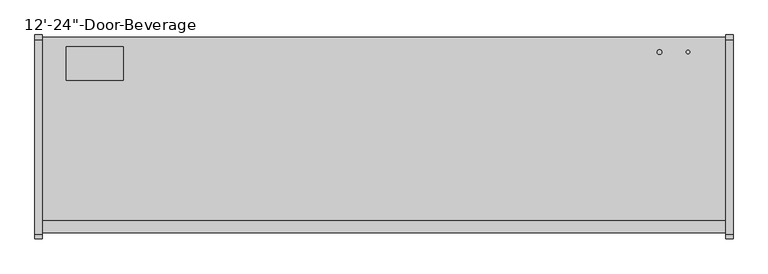
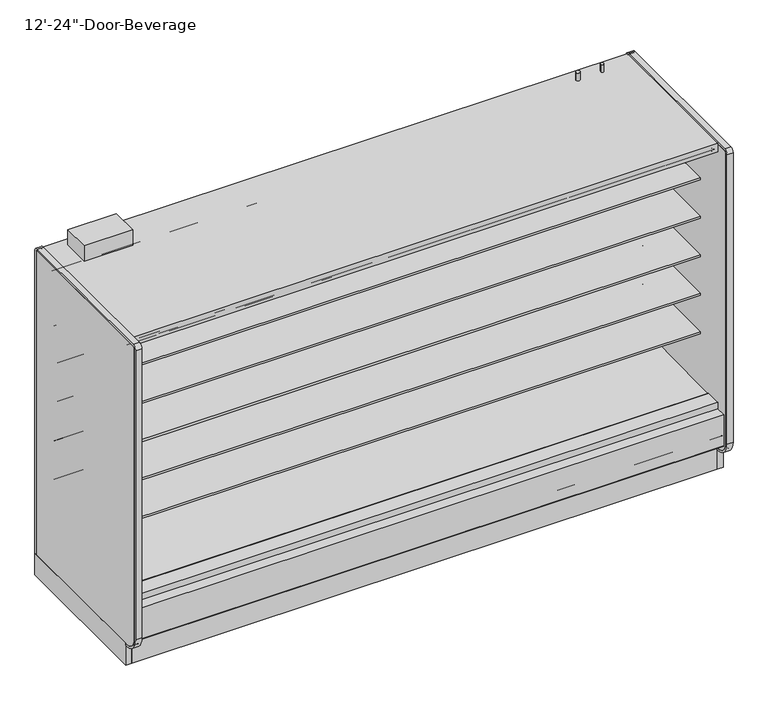
"""IFC4 building model written with IfcOpenShell, lengths in millimetres: proxy geometry."""

from ifc_helpers import new_model, si_unit, point, frame, frame_2d, origin, origin_with_axes, place, context, project, spatial, polyline, circle_curve, trimmed, segment, composite_curve, outline, extrude, source, transform, mapped, element, save
from ifc_brep_helpers import plane_surface, cylinder_surface, revolved_surface, advanced_brep


def proxy_1a4148a3(model_context):
    return source(origin(), model_context, "Body", "SolidModel", [
        extrude(outline(composite_curve([segment(trimmed(circle_curve(frame_2d((3454.4, -428.3821273)), 9.525), [point((3444.875, -428.3821273))], [point((3463.925, -428.3821273))], False, "CARTESIAN"), True, "CONTINUOUS"), segment(trimmed(circle_curve(frame_2d((3454.4, -428.3821273)), 9.525), [point((3463.925, -428.3821273))], [point((3444.875, -428.3821273))], False, "CARTESIAN"), True, "CONTINUOUS")], self_intersect=False)), frame((0.0, 0.0, 2160.0010137), z_axis=(0.0, 0.0, 1.0), x_axis=(1.0, 0.0, 0.0)), (0.0, 0.0, 1.0), 50.8),
        extrude(outline(composite_curve([segment(trimmed(circle_curve(frame_2d((3302.0, -428.3821273)), 12.7), [point((3289.3, -428.3821273))], [point((3314.7, -428.3821273))], False, "CARTESIAN"), True, "CONTINUOUS"), segment(trimmed(circle_curve(frame_2d((3302.0, -428.3821273)), 12.7), [point((3314.7, -428.3821273))], [point((3289.3, -428.3821273))], False, "CARTESIAN"), True, "CONTINUOUS")], self_intersect=False)), frame((0.0, 0.0, 2160.0010137), z_axis=(0.0, 0.0, 1.0), x_axis=(1.0, 0.0, 0.0)), (0.0, 0.0, 1.0), 50.8),
        extrude(outline(composite_curve([segment(polyline([(-1139.652044, 788.1304004), (-1139.652044, 801.6241504), (-453.852044, 801.6241504), (-453.852044, 700.8188557), (-465.2157046, 700.5975577)]), True, "CONTINUOUS"), segment(trimmed(circle_curve(frame_2d((-465.7036503, 725.6535856)), 25.0607786), [point((-465.2157046, 700.5975577))], [point((-481.6109729, 706.2886764))], False, "CARTESIAN"), True, "CONTINUOUS"), segment(polyline([(-481.6109729, 706.2886764), (-519.8326735, 737.3719449)]), True, "CONTINUOUS"), segment(trimmed(circle_curve(frame_2d((-559.8971466, 688.1064601)), 63.5), [point((-519.8326735, 737.3719449))], [point((-553.0441372, 751.2355839))], True, "CARTESIAN"), True, "CONTINUOUS"), segment(polyline([(-553.0441372, 751.2355839), (-968.6518104, 783.846074), (-968.6518104, 788.1304004), (-1139.652044, 788.1304004)]), True, "CONTINUOUS")], self_intersect=False)), frame((0.0, 0.0, 0.0), z_axis=(1.0, 0.0, 0.0), x_axis=(0.0, 1.0, 0.0)), (0.0, 0.0, 1.0), 3657.6),
        extrude(outline(composite_curve([segment(polyline([(-1139.652044, 1042.1304004), (-1139.652044, 1055.6241504), (-453.852044, 1055.6241504), (-453.852044, 954.8188557), (-465.2157046, 954.5975577)]), True, "CONTINUOUS"), segment(trimmed(circle_curve(frame_2d((-465.7036503, 979.6535856)), 25.0607786), [point((-465.2157046, 954.5975577))], [point((-481.6109729, 960.2886764))], False, "CARTESIAN"), True, "CONTINUOUS"), segment(polyline([(-481.6109729, 960.2886764), (-519.8326735, 991.3719449)]), True, "CONTINUOUS"), segment(trimmed(circle_curve(frame_2d((-559.8971466, 942.1064601)), 63.5), [point((-519.8326735, 991.3719449))], [point((-553.0441372, 1005.2355839))], True, "CARTESIAN"), True, "CONTINUOUS"), segment(polyline([(-553.0441372, 1005.2355839), (-968.6518104, 1037.846074), (-968.6518104, 1042.1304004), (-1139.652044, 1042.1304004)]), True, "CONTINUOUS")], self_intersect=False)), frame((0.0, 0.0, 0.0), z_axis=(1.0, 0.0, 0.0), x_axis=(0.0, 1.0, 0.0)), (0.0, 0.0, 1.0), 3657.6),
        extrude(outline(composite_curve([segment(polyline([(-1139.652044, 1296.1304004), (-1139.652044, 1309.6241504), (-453.852044, 1309.6241504), (-453.852044, 1208.8188557), (-465.2157046, 1208.5975577)]), True, "CONTINUOUS"), segment(trimmed(circle_curve(frame_2d((-465.7036503, 1233.6535856)), 25.0607786), [point((-465.2157046, 1208.5975577))], [point((-481.6109729, 1214.2886764))], False, "CARTESIAN"), True, "CONTINUOUS"), segment(polyline([(-481.6109729, 1214.2886764), (-519.8326735, 1245.3719449)]), True, "CONTINUOUS"), segment(trimmed(circle_curve(frame_2d((-559.8971466, 1196.1064601)), 63.5), [point((-519.8326735, 1245.3719449))], [point((-553.0441372, 1259.2355839))], True, "CARTESIAN"), True, "CONTINUOUS"), segment(polyline([(-553.0441372, 1259.2355839), (-968.6518104, 1291.846074), (-968.6518104, 1296.1304004), (-1139.652044, 1296.1304004)]), True, "CONTINUOUS")], self_intersect=False)), frame((0.0, 0.0, 0.0), z_axis=(1.0, 0.0, 0.0), x_axis=(0.0, 1.0, 0.0)), (0.0, 0.0, 1.0), 3657.6),
        extrude(outline(composite_curve([segment(polyline([(-1139.652044, 1550.1304004), (-1139.652044, 1563.6241504), (-453.852044, 1563.6241504), (-453.852044, 1462.8188557), (-465.2157046, 1462.5975577)]), True, "CONTINUOUS"), segment(trimmed(circle_curve(frame_2d((-465.7036503, 1487.6535856)), 25.0607786), [point((-465.2157046, 1462.5975577))], [point((-481.6109729, 1468.2886764))], False, "CARTESIAN"), True, "CONTINUOUS"), segment(polyline([(-481.6109729, 1468.2886764), (-519.8326735, 1499.3719449)]), True, "CONTINUOUS"), segment(trimmed(circle_curve(frame_2d((-559.8971466, 1450.1064601)), 63.5), [point((-519.8326735, 1499.3719449))], [point((-553.0441372, 1513.2355839))], True, "CARTESIAN"), True, "CONTINUOUS"), segment(polyline([(-553.0441372, 1513.2355839), (-968.6518104, 1545.846074), (-968.6518104, 1550.1304004), (-1139.652044, 1550.1304004)]), True, "CONTINUOUS")], self_intersect=False)), frame((0.0, 0.0, 0.0), z_axis=(1.0, 0.0, 0.0), x_axis=(0.0, 1.0, 0.0)), (0.0, 0.0, 1.0), 3657.6),
        extrude(outline(composite_curve([segment(polyline([(-632.8965773, 2077.3701079), (-1202.1056471, 2077.3701079), (-1202.0779553, 2079.0129758), (-1258.0451873, 2083.4966948), (-1258.0451873, 2075.9223079)]), True, "CONTINUOUS"), segment(trimmed(circle_curve(frame_2d((-1260.5851873, 2075.9223079)), 2.54), [point((-1258.0451873, 2075.9223079))], [point((-1260.5851873, 2073.3823079))], False, "CARTESIAN"), True, "CONTINUOUS"), segment(polyline([(-1260.5851873, 2073.3823079), (-1269.8053873, 2073.3823079)]), True, "CONTINUOUS"), segment(trimmed(circle_curve(frame_2d((-1269.8053873, 2075.9223079)), 2.54), [point((-1269.8053873, 2073.3823079))], [point((-1272.3453873, 2075.9223079))], False, "CARTESIAN"), True, "CONTINUOUS"), segment(polyline([(-1272.3453873, 2075.9223079), (-1272.3453873, 2092.9469554)]), True, "CONTINUOUS"), segment(trimmed(circle_curve(frame_2d((-1274.8853873, 2092.9469554)), 2.54), [point((-1272.3453873, 2092.9469554))], [point((-1274.8853873, 2095.4869554))], True, "CARTESIAN"), True, "CONTINUOUS"), segment(polyline([(-1274.8853873, 2095.4869554), (-1288.8553873, 2095.4869554)]), True, "CONTINUOUS"), segment(trimmed(circle_curve(frame_2d((-1288.8553873, 2098.0269554)), 2.54), [point((-1288.8553873, 2095.4869554))], [point((-1291.3953873, 2098.0269554))], False, "CARTESIAN"), True, "CONTINUOUS"), segment(polyline([(-1291.3953873, 2098.0269554), (-1291.3953873, 2102.7701079), (-402.3474764, 2102.7701079), (-402.3474764, 418.2554484), (-453.852044, 418.2554484), (-453.852044, 2054.7594138)]), True, "CONTINUOUS"), segment(trimmed(circle_curve(frame_2d((-476.4627381, 2054.7594138)), 22.6106941), [point((-453.852044, 2054.7594138))], [point((-476.4627381, 2077.3701079))], True, "CARTESIAN"), True, "CONTINUOUS"), segment(polyline([(-476.4627381, 2077.3701079), (-632.8965773, 2077.3701079)]), True, "CONTINUOUS")], self_intersect=False)), frame((0.0, 0.0, 0.0), z_axis=(1.0, 0.0, 0.0), x_axis=(0.0, 1.0, 0.0)), (0.0, 0.0, 1.0), 3657.6),
        extrude(outline(polyline([(673.1, -1207.3278954), (673.1, -1296.2278954), (368.3, -1296.2278954), (368.3, -1207.3278954), (673.1, -1207.3278954)])), frame((0.0, 0.0, 44.45), z_axis=(0.0, 0.0, 1.0), x_axis=(1.0, 0.0, 0.0)), (0.0, 0.0, 1.0), 6.35),
        advanced_brep(
        [(3657.6, -1318.106026, 204.9450868), (3657.6, -1318.106026, 0.0), (3657.6, -1154.5934832, 0.0), (3657.6, -1154.5934832, 130.5306), (3657.6, -1226.6745247, 130.5306), (3657.6, -1377.1737273, 256.8144254), (3657.6, -1377.1737273, 391.9982), (3657.6, -1326.8776974, 391.9982), (3657.6, -1326.8776974, 404.6728), (3657.6, -1393.9631273, 404.6728), (3657.6, -1393.9631273, 201.3982889), (3657.6, -1384.4389382, 195.8985595), (3657.6, -1339.6997646, 221.7199387), (0.0, -1318.106026, 204.9450868), (0.0, -1339.6997646, 221.7199387), (0.0, -1384.4389382, 195.8985595), (0.0, -1393.9631273, 201.3982889), (0.0, -1393.9631273, 404.6728), (0.0, -1326.8776974, 404.6728), (0.0, -1326.8776974, 391.9982), (0.0, -1377.1737273, 391.9982), (0.0, -1377.1737273, 256.8144254), (0.0, -1226.6745247, 130.5306), (0.0, -1154.5934832, 130.5306), (0.0, -1154.5934832, 0.0), (0.0, -1318.106026, 0.0), (677.9753763, -1301.1164467, 0.0), (677.9753763, -1203.5310315, 0.0), (363.1798722, -1203.5310315, 0.0), (363.1798722, -1301.1164467, 0.0), (677.9753763, -1301.1164467, 50.8), (677.9753763, -1203.5310315, 50.8), (363.1798722, -1203.5310315, 50.8), (363.1798722, -1301.1164467, 50.8)],
        [
            (0, 1),
            (1, 2),
            (2, 3),
            (3, 4),
            (4, 5),
            (5, 6),
            (6, 7),
            (7, 8),
            (8, 9),
            (9, 10),
            (10, 11, circle_curve(frame((3657.6, -1387.6131273, 201.3982889), z_axis=(1.0, 0.0, 0.0), x_axis=(0.0, 1.0, 0.0)), 6.35)),
            (11, 12),
            (12, 0),
            (13, 14),
            (14, 15),
            (15, 16, circle_curve(frame((0.0, -1387.6131273, 201.3982889), z_axis=(-1.0, 0.0, 0.0), x_axis=(0.0, 1.0, 0.0)), 6.35)),
            (16, 17),
            (17, 18),
            (18, 19),
            (19, 20),
            (20, 21),
            (21, 22),
            (22, 23),
            (23, 24),
            (24, 25),
            (25, 13),
            (0, 13),
            (25, 1),
            (24, 2),
            (26, 27),
            (27, 28),
            (28, 29),
            (29, 26),
            (23, 3),
            (22, 4),
            (21, 5),
            (20, 6),
            (19, 7),
            (18, 8),
            (17, 9),
            (16, 10),
            (15, 11),
            (14, 12),
            (26, 30),
            (30, 31),
            (31, 27),
            (28, 32),
            (32, 33),
            (33, 29),
            (31, 32),
            (30, 33),
        ],
        [
            plane_surface(frame((3657.6, -1318.106026, 0.0), z_axis=(1.0, 0.0, 0.0), x_axis=(0.0, 0.0, -1.0))),
            plane_surface(frame((0.0, -1318.106026, 0.0), z_axis=(-1.0, 0.0, 0.0), x_axis=(0.0, 0.0, 1.0))),
            plane_surface(frame((3657.6, -1318.106026, 204.9450868), z_axis=(0.0, -1.0, 0.0), x_axis=(-1.0, 0.0, 0.0))),
            plane_surface(frame((3657.6, -1318.106026, 0.0), z_axis=(0.0, 0.0, -1.0), x_axis=(-1.0, 0.0, 0.0))),
            plane_surface(frame((3657.6, -1154.5934832, 0.0), z_axis=(0.0, 1.0, 0.0), x_axis=(-1.0, 0.0, 0.0))),
            plane_surface(frame((3657.6, -1154.5934832, 130.5306), z_axis=(0.0, 0.0, 1.0), x_axis=(-1.0, 0.0, 0.0))),
            plane_surface(frame((3657.6, -1226.6745247, 130.5306), z_axis=(0.0, 0.6427876096877188, 0.7660444431179884), x_axis=(-1.0, 0.0, 0.0))),
            plane_surface(frame((3657.6, -1377.1737273, 256.8144254), z_axis=(0.0, 1.0, 0.0), x_axis=(-1.0, 0.0, 0.0))),
            plane_surface(frame((3657.6, -1377.1737273, 391.9982), z_axis=(0.0, 0.0, -1.0), x_axis=(-1.0, 0.0, 0.0))),
            plane_surface(frame((3657.6, -1326.8776974, 391.9982), z_axis=(0.0, 1.0, 0.0), x_axis=(-1.0, 0.0, 0.0))),
            plane_surface(frame((3657.6, -1326.8776974, 404.6728), z_axis=(0.0, 0.0, 1.0), x_axis=(-1.0, 0.0, 0.0))),
            plane_surface(frame((3657.6, -1393.9631273, 404.6728), z_axis=(0.0, -1.0, 0.0), x_axis=(-1.0, 0.0, 0.0))),
            cylinder_surface(frame((0.0, -1387.6131273, 201.3982889), z_axis=(1.0, 0.0, 0.0), x_axis=(0.0, 1.0, 0.0)), 6.35),
            plane_surface(frame((3657.6, -1384.4389382, 195.8985595), z_axis=(0.0, 0.4998723022013517, -0.8660991175910068), x_axis=(-1.0, 0.0, 0.0))),
            plane_surface(frame((3657.6, -1339.6997646, 221.7199387), z_axis=(0.0, -0.6134784338805639, -0.7897114733644501), x_axis=(-1.0, 0.0, 0.0))),
            plane_surface(frame((677.9753763, -1207.3278954, 0.0), z_axis=(-1.0, 0.0, 0.0), x_axis=(0.0, 1.0, 0.0))),
            plane_surface(frame((363.1798722, -1207.3278954, 0.0), z_axis=(1.0, 0.0, 0.0), x_axis=(0.0, -1.0, 0.0))),
            plane_surface(frame((677.9753763, -1203.5310315, 0.0), z_axis=(0.0, -1.0, 0.0), x_axis=(-1.0, 0.0, 0.0))),
            plane_surface(frame((677.9753763, -1203.5310315, 50.8), z_axis=(0.0, 0.0, -1.0), x_axis=(-1.0, 0.0, 0.0))),
            plane_surface(frame((677.9753763, -1301.1164467, 50.8), z_axis=(0.0, 1.0, 0.0), x_axis=(-1.0, 0.0, 0.0))),
        ],
        [
            (0, [[1, 2, 3, 4, 5, 6, 7, 8, 9, 10, 11, 12, 13]]),
            (1, [[14, 15, 16, 17, 18, 19, 20, 21, 22, 23, 24, 25, 26]]),
            (2, [[-1, 27, -26, 28]]),
            (3, [[-2, -28, -25, 29], [30, 31, 32, 33]]),
            (4, [[-3, -29, -24, 34]]),
            (5, [[-4, -34, -23, 35]]),
            (6, [[-5, -35, -22, 36]]),
            (7, [[-6, -36, -21, 37]]),
            (8, [[-7, -37, -20, 38]]),
            (9, [[-8, -38, -19, 39]]),
            (10, [[-9, -39, -18, 40]]),
            (11, [[-10, -40, -17, 41]]),
            (12, [[-11, -41, -16, 42]]),
            (13, [[-12, -42, -15, 43]]),
            (14, [[-13, -43, -14, -27]]),
            (15, [[44, 45, 46, -30]]),
            (16, [[47, 48, 49, -32]]),
            (17, [[-46, 50, -47, -31]]),
            (18, [[-45, 51, -48, -50]]),
            (19, [[-44, -33, -49, -51]]),
        ],
    ),
        extrude(outline(composite_curve([segment(trimmed(circle_curve(frame_2d((354.0125, 3581.4)), 12.7), [point((341.3125, 3581.4))], [point((366.7125, 3581.4))], False, "CARTESIAN"), True, "CONTINUOUS"), segment(trimmed(circle_curve(frame_2d((354.0125, 3581.4)), 12.7), [point((366.7125, 3581.4))], [point((341.3125, 3581.4))], False, "CARTESIAN"), True, "CONTINUOUS")], self_intersect=False)), frame((0.0, -399.8071273, 0.0), z_axis=(0.0, 1.0, 0.0), x_axis=(0.0, 0.0, 1.0)), (0.0, 0.0, 1.0), 50.8),
        extrude(outline(composite_curve([segment(trimmed(circle_curve(frame_2d((354.0125, 3530.6)), 9.525), [point((344.4875, 3530.6))], [point((363.5375, 3530.6))], False, "CARTESIAN"), True, "CONTINUOUS"), segment(trimmed(circle_curve(frame_2d((354.0125, 3530.6)), 9.525), [point((363.5375, 3530.6))], [point((344.4875, 3530.6))], False, "CARTESIAN"), True, "CONTINUOUS")], self_intersect=False)), frame((0.0, -399.8071273, 0.0), z_axis=(0.0, 1.0, 0.0), x_axis=(0.0, 0.0, 1.0)), (0.0, 0.0, 1.0), 50.8),
        advanced_brep(
        [(3657.6, -349.0071273, 130.5306), (3657.6, -349.0071273, 2159.0692079), (3657.6, -1328.759197, 2159.0692079), (3657.6, -1328.759197, 2102.7701079), (3657.6, -402.3474764, 2102.7701079), (3657.6, -402.3474764, 358.6596808), (3657.6, -549.3331942, 211.7249958), (3657.6, -991.2928374, 196.2548056), (3657.6, -1033.515372, 165.5831237), (3657.6, -1035.4689267, 165.5149041), (3657.6, -1048.6488905, 157.9054484), (3657.6, -1108.9738905, 157.9054484), (3657.6, -1117.2097949, 162.6604501), (3657.6, -1119.3438463, 162.5859274), (3657.6, -1169.010644, 190.034038), (3657.6, -1325.2901974, 342.4428), (3657.6, -1325.2901974, 391.9982), (3657.6, -1377.1737273, 391.9982), (3657.6, -1377.1737273, 256.8144254), (3657.6, -1226.6745247, 130.5306), (0.0, -349.0071273, 130.5306), (0.0, -1226.6745247, 130.5306), (0.0, -1377.1737273, 256.8144254), (0.0, -1377.1737273, 391.9982), (0.0, -1325.2901974, 391.9982), (0.0, -1325.2901974, 342.4428), (0.0, -1169.010644, 190.034038), (0.0, -1119.3438463, 162.5859274), (0.0, -1117.2097949, 162.6604501), (0.0, -1108.9738905, 157.9054484), (0.0, -1048.6488905, 157.9054484), (0.0, -1035.4689267, 165.5149041), (0.0, -1033.515372, 165.5831237), (0.0, -991.2928374, 196.2548056), (0.0, -549.3331942, 211.7249958), (0.0, -402.3474764, 358.6596808), (0.0, -402.3474764, 2102.7701079), (0.0, -1328.759197, 2102.7701079), (0.0, -1328.759197, 2159.0692079), (0.0, -349.0071273, 2159.0692079), (3556.0, -349.0071273, 303.2125), (3556.0, -349.0071273, 404.8125), (3556.0, -399.8071273, 404.8125), (3556.0, -399.8071273, 303.2125)],
        [
            (0, 1),
            (1, 2),
            (2, 3),
            (3, 4),
            (4, 5),
            (5, 6, circle_curve(frame((3657.6, -554.6779329, 364.0573175), z_axis=(-1.0, 0.0, 0.0), x_axis=(0.0, 1.0, 0.0)), 152.4260557)),
            (6, 7),
            (7, 8),
            (8, 9),
            (9, 10),
            (10, 11),
            (11, 12),
            (12, 13),
            (13, 14),
            (14, 15, circle_curve(frame((3657.6, -1174.2931139, 340.9461144), z_axis=(-1.0, 0.0, 0.0), x_axis=(0.0, 1.0, 0.0)), 151.0045009)),
            (15, 16),
            (16, 17),
            (17, 18),
            (18, 19),
            (19, 0),
            (20, 21),
            (21, 22),
            (22, 23),
            (23, 24),
            (24, 25),
            (25, 26, circle_curve(frame((0.0, -1174.2931139, 340.9461144), z_axis=(1.0, 0.0, 0.0), x_axis=(0.0, 1.0, 0.0)), 151.0045009)),
            (26, 27),
            (27, 28),
            (28, 29),
            (29, 30),
            (30, 31),
            (31, 32),
            (32, 33),
            (33, 34),
            (34, 35, circle_curve(frame((0.0, -554.6779329, 364.0573175), z_axis=(1.0, 0.0, 0.0), x_axis=(0.0, 1.0, 0.0)), 152.4260557)),
            (35, 36),
            (36, 37),
            (37, 38),
            (38, 39),
            (39, 20),
            (0, 20),
            (39, 1),
            (40, 41, circle_curve(frame((3556.0, -349.0071273, 354.0125), z_axis=(0.0, -1.0, 0.0), x_axis=(0.0, 0.0, -1.0)), 50.8)),
            (41, 40, circle_curve(frame((3556.0, -349.0071273, 354.0125), z_axis=(0.0, -1.0, 0.0), x_axis=(0.0, 0.0, -1.0)), 50.8)),
            (38, 2),
            (37, 3),
            (36, 4),
            (6, 34),
            (33, 7),
            (32, 8),
            (31, 9),
            (30, 10),
            (29, 11),
            (28, 12),
            (27, 13),
            (26, 14),
            (25, 15),
            (24, 16),
            (23, 17),
            (22, 18),
            (21, 19),
            (35, 5),
            (42, 43, circle_curve(frame((3556.0, -399.8071273, 354.0125), z_axis=(0.0, 1.0, 0.0), x_axis=(0.0, 0.0, -1.0)), 50.8)),
            (43, 42, circle_curve(frame((3556.0, -399.8071273, 354.0125), z_axis=(0.0, 1.0, 0.0), x_axis=(0.0, 0.0, -1.0)), 50.8)),
            (42, 41),
            (40, 43),
        ],
        [
            plane_surface(frame((3657.6, -349.0071273, 2154.3067079), z_axis=(1.0, 0.0, 0.0), x_axis=(0.0, 0.0, 1.0))),
            plane_surface(frame((0.0, -349.0071273, 2154.3067079), z_axis=(-1.0, 0.0, 0.0), x_axis=(0.0, 0.0, -1.0))),
            plane_surface(frame((3657.6, -349.0071273, 130.5306), z_axis=(0.0, 1.0, 0.0), x_axis=(-1.0, 0.0, 0.0))),
            plane_surface(frame((3657.6, -349.0071273, 2159.0692079), z_axis=(0.0, 0.0, 1.0), x_axis=(-1.0, 0.0, 0.0))),
            plane_surface(frame((3657.6, -1328.759197, 2159.0692079), z_axis=(0.0, -1.0, 0.0), x_axis=(-1.0, 0.0, 0.0))),
            plane_surface(frame((3657.6, -1328.759197, 2102.7701079), z_axis=(0.0, 0.0, -1.0), x_axis=(-1.0, 0.0, 0.0))),
            plane_surface(frame((3657.6, -549.3331942, 211.7249958), z_axis=(0.0, -0.03498220179415916, 0.9993879354673203), x_axis=(-1.0, 0.0, 0.0))),
            plane_surface(frame((3657.6, -991.2928374, 196.2548056), z_axis=(0.0, -0.5877252382161511, 0.8090605937528836), x_axis=(-1.0, 0.0, 0.0))),
            plane_surface(frame((3657.6, -1033.515372, 165.5831237), z_axis=(0.0, -0.034899496717989933, 0.9993908270185549), x_axis=(-1.0, 0.0, 0.0))),
            plane_surface(frame((3657.6, -1035.4689267, 165.5149041), z_axis=(0.0, -0.5000000000128472, 0.8660254037770214), x_axis=(-1.0, 0.0, 0.0))),
            plane_surface(frame((3657.6, -1048.6488905, 157.9054484), z_axis=(0.0, 0.0, 1.0), x_axis=(-1.0, 0.0, 0.0))),
            plane_surface(frame((3657.6, -1108.9738905, 157.9054484), z_axis=(0.0, 0.49999999998692984, 0.8660254037919848), x_axis=(-1.0, 0.0, 0.0))),
            plane_surface(frame((3657.6, -1117.2097949, 162.6604501), z_axis=(0.0, -0.03489949671806632, 0.9993908270185522), x_axis=(-1.0, 0.0, 0.0))),
            plane_surface(frame((3657.6, -1119.3438463, 162.5859274), z_axis=(0.0, 0.483695152932422, 0.8752365389023021), x_axis=(-1.0, 0.0, 0.0))),
            revolved_surface(polyline([(0.0, -1023.2886129999999, 340.9461144), (3657.6, -1023.2886129999999, 340.9461144)]), (0.0, -1174.2931139, 340.9461144), (-1.0, 0.0, 0.0)),
            plane_surface(frame((3657.6, -1325.2901974, 342.4428), z_axis=(0.0, 1.0, 0.0), x_axis=(-1.0, 0.0, 0.0))),
            plane_surface(frame((3657.6, -1325.2901974, 391.9982), z_axis=(0.0, 0.0, 1.0), x_axis=(-1.0, 0.0, 0.0))),
            plane_surface(frame((3657.6, -1377.1737273, 391.9982), z_axis=(0.0, -1.0, 0.0), x_axis=(-1.0, 0.0, 0.0))),
            plane_surface(frame((3657.6, -1377.1737273, 256.8144254), z_axis=(0.0, -0.6427876096877191, -0.7660444431179881), x_axis=(-1.0, 0.0, 0.0))),
            plane_surface(frame((3657.6, -1226.6745247, 130.5306), z_axis=(0.0, 0.0, -1.0), x_axis=(-1.0, 0.0, 0.0))),
            plane_surface(frame((3657.6, -402.3474764, 2102.7701079), z_axis=(0.0, -1.0, 0.0), x_axis=(-1.0, 0.0, 0.0))),
            revolved_surface(polyline([(0.0, -402.25187719999997, 364.0573175), (3657.6, -402.25187719999997, 364.0573175)]), (0.0, -554.6779329, 364.0573175), (-1.0, 0.0, 0.0)),
            plane_surface(frame((3556.0, -399.8071273, 303.2125), z_axis=(0.0, 1.0, 0.0), x_axis=(1.0, 0.0, 0.0))),
            revolved_surface(polyline([(3556.0, -349.0071273, 303.2125), (3556.0, -399.8071273, 303.2125)]), (3556.0, -399.8071273, 354.0125), (0.0, 1.0, 0.0)),
        ],
        [
            (0, [[1, 2, 3, 4, 5, 6, 7, 8, 9, 10, 11, 12, 13, 14, 15, 16, 17, 18, 19, 20]]),
            (1, [[21, 22, 23, 24, 25, 26, 27, 28, 29, 30, 31, 32, 33, 34, 35, 36, 37, 38, 39, 40]]),
            (2, [[-1, 41, -40, 42], [43, 44]]),
            (3, [[-2, -42, -39, 45]]),
            (4, [[-3, -45, -38, 46]]),
            (5, [[-4, -46, -37, 47]]),
            (6, [[-7, 48, -34, 49]]),
            (7, [[-8, -49, -33, 50]]),
            (8, [[-9, -50, -32, 51]]),
            (9, [[-10, -51, -31, 52]]),
            (10, [[-11, -52, -30, 53]]),
            (11, [[-12, -53, -29, 54]]),
            (12, [[-13, -54, -28, 55]]),
            (13, [[-14, -55, -27, 56]]),
            (14, [[-15, -56, -26, 57]]),
            (15, [[-16, -57, -25, 58]]),
            (16, [[-17, -58, -24, 59]]),
            (17, [[-18, -59, -23, 60]]),
            (18, [[-19, -60, -22, 61]]),
            (19, [[-20, -61, -21, -41]]),
            (20, [[-5, -47, -36, 62]]),
            (21, [[-6, -62, -35, -48]]),
            (22, [[63, 64]]),
            (23, [[-63, 65, -43, 66]]),
            (23, [[-64, -66, -44, -65]]),
        ],
    ),
        extrude(outline(composite_curve([segment(trimmed(circle_curve(frame_2d((1828.8, -1072.9071273)), 38.1), [point((1790.7, -1072.9071273))], [point((1866.9, -1072.9071273))], False, "CARTESIAN"), True, "CONTINUOUS"), segment(trimmed(circle_curve(frame_2d((1828.8, -1072.9071273)), 38.1), [point((1866.9, -1072.9071273))], [point((1790.7, -1072.9071273))], False, "CARTESIAN"), True, "CONTINUOUS")], self_intersect=False)), frame((0.0, 0.0, 61.2666507), z_axis=(0.0, 0.0, 1.0), x_axis=(1.0, 0.0, 0.0)), (0.0, 0.0, 1.0), 65.7333493),
        extrude(outline(composite_curve([segment(trimmed(circle_curve(frame_2d((3462.3375, -1076.0821273)), 12.7), [point((3449.6375, -1076.0821273))], [point((3475.0375, -1076.0821273))], False, "CARTESIAN"), True, "CONTINUOUS"), segment(trimmed(circle_curve(frame_2d((3462.3375, -1076.0821273)), 12.7), [point((3475.0375, -1076.0821273))], [point((3449.6375, -1076.0821273))], False, "CARTESIAN"), True, "CONTINUOUS")], self_intersect=False)), frame((0.0, 0.0, 61.2666507), z_axis=(0.0, 0.0, 1.0), x_axis=(1.0, 0.0, 0.0)), (0.0, 0.0, 1.0), 65.7333493),
        extrude(outline(composite_curve([segment(trimmed(circle_curve(frame_2d((3411.5375, -1076.0821273)), 9.525), [point((3402.0125, -1076.0821273))], [point((3421.0625, -1076.0821273))], False, "CARTESIAN"), True, "CONTINUOUS"), segment(trimmed(circle_curve(frame_2d((3411.5375, -1076.0821273)), 9.525), [point((3421.0625, -1076.0821273))], [point((3402.0125, -1076.0821273))], False, "CARTESIAN"), True, "CONTINUOUS")], self_intersect=False)), frame((0.0, 0.0, 61.2666507), z_axis=(0.0, 0.0, 1.0), x_axis=(1.0, 0.0, 0.0)), (0.0, 0.0, 1.0), 65.7333493),
        advanced_brep(
        [(3657.6, -349.0071273, 0.0), (3657.6, -349.0071273, 130.5306), (3657.6, -1154.5934832, 130.5306), (3657.6, -1154.5934832, 0.0), (3657.6, -1108.6576273, 0.0), (3657.6, -1108.6576273, 74.8810382), (3657.6, -394.2191273, 74.8810382), (3657.6, -394.2191273, 0.0), (0.0, -349.0071273, 0.0), (0.0, -394.2191273, 0.0), (0.0, -394.2191273, 74.8810382), (0.0, -1108.6576273, 74.8810382), (0.0, -1108.6576273, 0.0), (0.0, -1154.5934832, 0.0), (0.0, -1154.5934832, 130.5306), (0.0, -349.0071273, 130.5306), (1792.7092567, -1108.6576273, 74.8810382), (1792.7092567, -1108.6576273, 127.0), (1864.8907433, -1108.6576273, 127.0), (1864.8907433, -1108.6576273, 74.8810382), (3397.9570331, -1108.6576273, 74.8810382), (3397.9570331, -1108.6576273, 127.0), (3475.9179669, -1108.6576273, 127.0), (3475.9179669, -1108.6576273, 74.8810382)],
        [
            (0, 1),
            (1, 2),
            (2, 3),
            (3, 4),
            (4, 5),
            (5, 6),
            (6, 7),
            (7, 0),
            (8, 9),
            (9, 10),
            (10, 11),
            (11, 12),
            (12, 13),
            (13, 14),
            (14, 15),
            (15, 8),
            (0, 8),
            (15, 1),
            (14, 2),
            (13, 3),
            (12, 4),
            (11, 16),
            (16, 17),
            (17, 18),
            (18, 19),
            (19, 20),
            (20, 21),
            (21, 22),
            (22, 23),
            (23, 5),
            (23, 20, circle_curve(frame((3436.9375, -1076.0821273, 74.8810382), z_axis=(0.0, 0.0, 1.0), x_axis=(1.0, 0.0, 0.0)), 50.8)),
            (19, 16, circle_curve(frame((1828.8, -1072.9071273, 74.8810382), z_axis=(0.0, 0.0, 1.0), x_axis=(1.0, 0.0, 0.0)), 50.8)),
            (10, 6),
            (9, 7),
            (17, 18, circle_curve(frame((1828.8, -1072.9071273, 127.0), z_axis=(0.0, 0.0, -1.0), x_axis=(1.0, 0.0, 0.0)), 50.8)),
            (21, 22, circle_curve(frame((3436.9375, -1076.0821273, 127.0), z_axis=(0.0, 0.0, -1.0), x_axis=(1.0, 0.0, 0.0)), 50.8)),
        ],
        [
            plane_surface(frame((3657.6, -349.0071273, 2438.4), z_axis=(1.0, 0.0, 0.0), x_axis=(0.0, 0.0, 1.0))),
            plane_surface(frame((0.0, -349.0071273, 2438.4), z_axis=(-1.0, 0.0, 0.0), x_axis=(0.0, 0.0, -1.0))),
            plane_surface(frame((3657.6, -349.0071273, 0.0), z_axis=(0.0, 1.0, 0.0), x_axis=(-1.0, 0.0, 0.0))),
            plane_surface(frame((3657.6, -349.0071273, 130.5306), z_axis=(0.0, 0.0, 1.0), x_axis=(-1.0, 0.0, 0.0))),
            plane_surface(frame((3657.6, -1154.5934832, 130.5306), z_axis=(0.0, -1.0, 0.0), x_axis=(-1.0, 0.0, 0.0))),
            plane_surface(frame((3657.6, -1154.5934832, 0.0), z_axis=(0.0, 0.0, -1.0), x_axis=(-1.0, 0.0, 0.0))),
            plane_surface(frame((3657.6, -1108.6576273, 0.0), z_axis=(0.0, 1.0, 0.0), x_axis=(-1.0, 0.0, 0.0))),
            plane_surface(frame((3657.6, -1108.6576273, 74.8810382), z_axis=(0.0, 0.0, -1.0), x_axis=(-1.0, 0.0, 0.0))),
            plane_surface(frame((3657.6, -394.2191273, 74.8810382), z_axis=(0.0, -1.0, 0.0), x_axis=(-1.0, 0.0, 0.0))),
            plane_surface(frame((3657.6, -394.2191273, 0.0), z_axis=(0.0, 0.0, -1.0), x_axis=(-1.0, 0.0, 0.0))),
            plane_surface(frame((1864.8907433, -1108.6576273, 127.0), z_axis=(0.0, 0.0, -1.0), x_axis=(1.0, 0.0, 0.0))),
            revolved_surface(polyline([(1879.6, -1072.9071273, 127.0), (1879.6, -1072.9071273, 74.8810382)]), (1828.8, -1072.9071273, 0.0), (0.0, 0.0, 1.0)),
            plane_surface(frame((3475.9179669, -1108.6576273, 127.0), z_axis=(0.0, 0.0, -1.0), x_axis=(1.0, 0.0, 0.0))),
            revolved_surface(polyline([(3487.7375, -1076.0821273, 127.0), (3487.7375, -1076.0821273, 74.8810382)]), (3436.9375, -1076.0821273, 0.0), (0.0, 0.0, 1.0)),
        ],
        [
            (0, [[1, 2, 3, 4, 5, 6, 7, 8]]),
            (1, [[9, 10, 11, 12, 13, 14, 15, 16]]),
            (2, [[-1, 17, -16, 18]]),
            (3, [[-2, -18, -15, 19]]),
            (4, [[-3, -19, -14, 20]]),
            (5, [[21, -4, -20, -13]]),
            (6, [[-5, -21, -12, 22, 23, 24, 25, 26, 27, 28, 29, 30]]),
            (7, [[-6, -30, 31, -26, 32, -22, -11, 33]]),
            (8, [[-7, -33, -10, 34]]),
            (9, [[-8, -34, -9, -17]]),
            (10, [[35, -24]]),
            (11, [[-35, -23, -32, -25]]),
            (12, [[36, -28]]),
            (13, [[-36, -27, -31, -29]]),
        ],
    ),
        extrude(outline(composite_curve([segment(polyline([(-1139.652044, 1803.3473276), (-1139.652044, 1816.8410776), (-453.852044, 1816.8410776), (-453.852044, 1716.035783), (-465.2157046, 1715.814485)]), True, "CONTINUOUS"), segment(trimmed(circle_curve(frame_2d((-465.7036503, 1740.8705128)), 25.0607786), [point((-465.2157046, 1715.814485))], [point((-481.6109729, 1721.5056036))], False, "CARTESIAN"), True, "CONTINUOUS"), segment(polyline([(-481.6109729, 1721.5056036), (-519.8326735, 1752.5888722)]), True, "CONTINUOUS"), segment(trimmed(circle_curve(frame_2d((-559.8971466, 1703.3233874)), 63.5), [point((-519.8326735, 1752.5888722))], [point((-553.0441372, 1766.4525111))], True, "CARTESIAN"), True, "CONTINUOUS"), segment(polyline([(-553.0441372, 1766.4525111), (-968.6518104, 1799.0630012), (-968.6518104, 1803.3473276), (-1139.652044, 1803.3473276)]), True, "CONTINUOUS")], self_intersect=False)), frame((0.0, 0.0, 0.0), z_axis=(1.0, 0.0, 0.0), x_axis=(0.0, 1.0, 0.0)), (0.0, 0.0, 1.0), 3657.6),
        extrude(outline(polyline([(434.975, -399.8071273), (434.975, -577.6071273), (130.175, -577.6071273), (130.175, -399.8071273), (434.975, -399.8071273)])), frame((0.0, 0.0, 2160.0010137), z_axis=(0.0, 0.0, 1.0), x_axis=(1.0, 0.0, 0.0)), (0.0, 0.0, 1.0), 101.1788283),
        extrude(outline(composite_curve([segment(polyline([(-453.852044, 452.2592331), (-453.852044, 418.2554484), (-402.3474764, 418.2554484), (-402.3474764, 358.6596808)]), True, "CONTINUOUS"), segment(trimmed(circle_curve(frame_2d((-554.6779329, 364.0573175)), 152.4260557), [point((-402.3474764, 358.6596808))], [point((-549.3331942, 211.7249958))], False, "CARTESIAN"), True, "CONTINUOUS"), segment(polyline([(-549.3331942, 211.7249958), (-991.2928374, 196.2548056), (-1033.515372, 165.5831237), (-1035.4689267, 165.5149041), (-1048.6488905, 157.9054484), (-1108.9738905, 157.9054484), (-1117.2097949, 162.6604501), (-1119.3438463, 162.5859274), (-1169.010644, 190.034038)]), True, "CONTINUOUS"), segment(trimmed(circle_curve(frame_2d((-1174.2931139, 340.9461144)), 151.0045009), [point((-1169.010644, 190.034038))], [point((-1325.2901974, 342.4428))], False, "CARTESIAN"), True, "CONTINUOUS"), segment(polyline([(-1325.2901974, 342.4428), (-1325.2901974, 391.9982), (-1326.8776974, 391.9982), (-1326.8776974, 447.5353), (-1227.4661273, 447.5353)]), True, "CONTINUOUS"), segment(trimmed(circle_curve(frame_2d((-1227.4661273, 445.4779)), 2.0574), [point((-1227.4661273, 447.5353))], [point((-1225.4087273, 445.4779))], False, "CARTESIAN"), True, "CONTINUOUS"), segment(polyline([(-1225.4087273, 445.4779), (-1225.4087273, 438.3756667), (-453.852044, 452.2592331)]), True, "CONTINUOUS")], self_intersect=False)), frame((0.0, 0.0, 0.0), z_axis=(1.0, 0.0, 0.0), x_axis=(0.0, 1.0, 0.0)), (0.0, 0.0, 1.0), 3657.6),
        extrude(outline(composite_curve([segment(trimmed(circle_curve(frame_2d((-1325.3196273, 232.1306)), 88.9), [point((-1414.2196273, 232.1306))], [point((-1325.3196273, 143.2306))], True, "CARTESIAN"), True, "CONTINUOUS"), segment(polyline([(-1325.3196273, 143.2306), (-1318.106026, 143.2306), (-1318.106026, 130.7870064)]), True, "CONTINUOUS"), segment(trimmed(circle_curve(frame_2d((-1325.3196273, 232.1306)), 101.6), [point((-1318.106026, 130.7870064))], [point((-1426.9196273, 232.1306))], False, "CARTESIAN"), True, "CONTINUOUS"), segment(polyline([(-1426.9196273, 232.1306), (-1426.9196273, 2143.5486906)]), True, "CONTINUOUS"), segment(trimmed(circle_curve(frame_2d((-1401.5196273, 2143.5486906)), 25.4), [point((-1426.9196273, 2143.5486906))], [point((-1401.5196273, 2168.9486906))], False, "CARTESIAN"), True, "CONTINUOUS"), segment(polyline([(-1401.5196273, 2168.9486906), (-361.7071273, 2168.9486906)]), True, "CONTINUOUS"), segment(trimmed(circle_curve(frame_2d((-361.7071273, 2143.5486906)), 25.4), [point((-361.7071273, 2168.9486906))], [point((-336.3071273, 2143.5486906))], False, "CARTESIAN"), True, "CONTINUOUS"), segment(polyline([(-336.3071273, 2143.5486906), (-336.3071273, 143.2306), (-349.0071273, 143.2306), (-349.0071273, 2143.5486906)]), True, "CONTINUOUS"), segment(trimmed(circle_curve(frame_2d((-361.7071273, 2143.5486906)), 12.7), [point((-349.0071273, 2143.5486906))], [point((-361.7071273, 2156.2486906))], True, "CARTESIAN"), True, "CONTINUOUS"), segment(polyline([(-361.7071273, 2156.2486906), (-1401.5196273, 2156.2486906)]), True, "CONTINUOUS"), segment(trimmed(circle_curve(frame_2d((-1401.5196273, 2143.5486906)), 12.7), [point((-1401.5196273, 2156.2486906))], [point((-1414.2196273, 2143.5486906))], True, "CARTESIAN"), True, "CONTINUOUS"), segment(polyline([(-1414.2196273, 2143.5486906), (-1414.2196273, 232.1306)]), True, "CONTINUOUS")], self_intersect=False)), frame((3657.6, 0.0, 0.0), z_axis=(1.0, 0.0, 0.0), x_axis=(0.0, 1.0, 0.0)), (0.0, 0.0, 1.0), 38.1),
        extrude(outline(polyline([(3695.7, -336.3071273), (3695.7, -1318.106026), (3657.6, -1318.106026), (3657.6, -336.3071273), (3695.7, -336.3071273)])), origin_with_axes(), (0.0, 0.0, 1.0), 143.2306),
        extrude(outline(composite_curve([segment(polyline([(-1414.2196273, 232.1306), (-1414.2196273, 2143.5486906)]), True, "CONTINUOUS"), segment(trimmed(circle_curve(frame_2d((-1401.5196273, 2143.5486906)), 12.7), [point((-1414.2196273, 2143.5486906))], [point((-1401.5196273, 2156.2486906))], False, "CARTESIAN"), True, "CONTINUOUS"), segment(polyline([(-1401.5196273, 2156.2486906), (-361.7071273, 2156.2486906)]), True, "CONTINUOUS"), segment(trimmed(circle_curve(frame_2d((-361.7071273, 2143.5486906)), 12.7), [point((-361.7071273, 2156.2486906))], [point((-349.0071273, 2143.5486906))], False, "CARTESIAN"), True, "CONTINUOUS"), segment(polyline([(-349.0071273, 2143.5486906), (-349.0071273, 143.2306), (-1325.3196273, 143.2306)]), True, "CONTINUOUS"), segment(trimmed(circle_curve(frame_2d((-1325.3196273, 232.1306)), 88.9), [point((-1325.3196273, 143.2306))], [point((-1414.2196273, 232.1306))], False, "CARTESIAN"), True, "CONTINUOUS")], self_intersect=False)), frame((3657.6, 0.0, 0.0), z_axis=(1.0, 0.0, 0.0), x_axis=(0.0, 1.0, 0.0)), (0.0, 0.0, 1.0), 38.1),
        extrude(outline(composite_curve([segment(trimmed(circle_curve(frame_2d((-1325.3196273, 232.1306)), 88.9), [point((-1414.2196273, 232.1306))], [point((-1325.3196273, 143.2306))], True, "CARTESIAN"), True, "CONTINUOUS"), segment(polyline([(-1325.3196273, 143.2306), (-1318.106026, 143.2306), (-1318.106026, 130.7870064)]), True, "CONTINUOUS"), segment(trimmed(circle_curve(frame_2d((-1325.3196273, 232.1306)), 101.6), [point((-1318.106026, 130.7870064))], [point((-1426.9196273, 232.1306))], False, "CARTESIAN"), True, "CONTINUOUS"), segment(polyline([(-1426.9196273, 232.1306), (-1426.9196273, 2143.5486906)]), True, "CONTINUOUS"), segment(trimmed(circle_curve(frame_2d((-1401.5196273, 2143.5486906)), 25.4), [point((-1426.9196273, 2143.5486906))], [point((-1401.5196273, 2168.9486906))], False, "CARTESIAN"), True, "CONTINUOUS"), segment(polyline([(-1401.5196273, 2168.9486906), (-361.7071273, 2168.9486906)]), True, "CONTINUOUS"), segment(trimmed(circle_curve(frame_2d((-361.7071273, 2143.5486906)), 25.4), [point((-361.7071273, 2168.9486906))], [point((-336.3071273, 2143.5486906))], False, "CARTESIAN"), True, "CONTINUOUS"), segment(polyline([(-336.3071273, 2143.5486906), (-336.3071273, 143.2306), (-349.0071273, 143.2306), (-349.0071273, 2143.5486906)]), True, "CONTINUOUS"), segment(trimmed(circle_curve(frame_2d((-361.7071273, 2143.5486906)), 12.7), [point((-349.0071273, 2143.5486906))], [point((-361.7071273, 2156.2486906))], True, "CARTESIAN"), True, "CONTINUOUS"), segment(polyline([(-361.7071273, 2156.2486906), (-1401.5196273, 2156.2486906)]), True, "CONTINUOUS"), segment(trimmed(circle_curve(frame_2d((-1401.5196273, 2143.5486906)), 12.7), [point((-1401.5196273, 2156.2486906))], [point((-1414.2196273, 2143.5486906))], True, "CARTESIAN"), True, "CONTINUOUS"), segment(polyline([(-1414.2196273, 2143.5486906), (-1414.2196273, 232.1306)]), True, "CONTINUOUS")], self_intersect=False)), frame((-38.1, 0.0, 0.0), z_axis=(1.0, 0.0, 0.0), x_axis=(0.0, 1.0, 0.0)), (0.0, 0.0, 1.0), 38.1),
        extrude(outline(polyline([(0.0, -336.3071273), (0.0, -1318.106026), (-38.1, -1318.106026), (-38.1, -336.3071273), (0.0, -336.3071273)])), origin_with_axes(), (0.0, 0.0, 1.0), 143.2306),
        extrude(outline(composite_curve([segment(polyline([(-1414.2196273, 232.1306), (-1414.2196273, 2143.5486906)]), True, "CONTINUOUS"), segment(trimmed(circle_curve(frame_2d((-1401.5196273, 2143.5486906)), 12.7), [point((-1414.2196273, 2143.5486906))], [point((-1401.5196273, 2156.2486906))], False, "CARTESIAN"), True, "CONTINUOUS"), segment(polyline([(-1401.5196273, 2156.2486906), (-361.7071273, 2156.2486906)]), True, "CONTINUOUS"), segment(trimmed(circle_curve(frame_2d((-361.7071273, 2143.5486906)), 12.7), [point((-361.7071273, 2156.2486906))], [point((-349.0071273, 2143.5486906))], False, "CARTESIAN"), True, "CONTINUOUS"), segment(polyline([(-349.0071273, 2143.5486906), (-349.0071273, 143.2306), (-1325.3196273, 143.2306)]), True, "CONTINUOUS"), segment(trimmed(circle_curve(frame_2d((-1325.3196273, 232.1306)), 88.9), [point((-1325.3196273, 143.2306))], [point((-1414.2196273, 232.1306))], False, "CARTESIAN"), True, "CONTINUOUS")], self_intersect=False)), frame((-38.1, 0.0, 0.0), z_axis=(1.0, 0.0, 0.0), x_axis=(0.0, 1.0, 0.0)), (0.0, 0.0, 1.0), 38.1),
    ])


if __name__ == "__main__":
    model = new_model("IFC4")
    model_context = context("Model", 3, world=origin())
    ifc_project = project(units=[si_unit("LENGTHUNIT", "METRE", prefix="MILLI")], contexts=[model_context])
    site = spatial("IfcSite", under=ifc_project)
    building = spatial("IfcBuilding", under=site)
    placement = place(None, origin())
    proxy_shape = proxy_1a4148a3(model_context)
    element("IfcBuildingElementProxy", 1, Name="12'-24\"-Door-Beverage", ObjectType="12'-24\"-Door-Beverage", at=placement, inside=building, context=model_context, shape_type="MappedRepresentation", body=[
        mapped(proxy_shape, transform((0.0, 0.0, 0.0), x_axis=(1.0, 0.0, 0.0), y_axis=(0.0, 1.0, 0.0), z_axis=(0.0, 0.0, 1.0))),
    ])
    save(model, "model.ifc")
